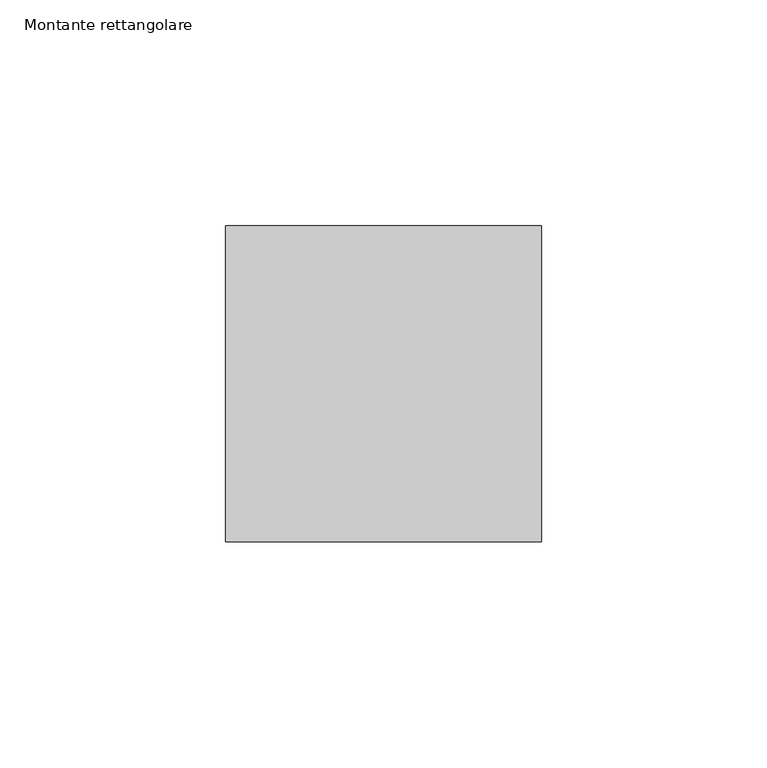
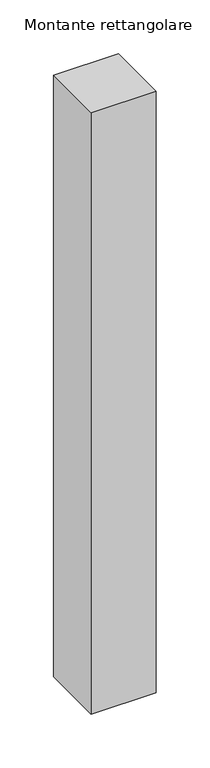
"""IFC4 building model written with IfcOpenShell, lengths in millimetres: member geometry, Montante rettangolare."""

from ifc_helpers import new_model, si_unit, frame, origin, place, context, project, spatial, polyline, outline, extrude, source, transform, mapped, element, save


def montante_rettangolare_78250a0c(model_context):
    return source(origin(), model_context, "Body", "SweptSolid", [
        extrude(outline(polyline([(35.0, 35.0), (35.0, -35.0), (-35.0, -35.0), (-35.0, 35.0), (35.0, 35.0)])), frame((0.0, 0.0, -684.1739392), z_axis=(0.0, 0.0, 1.0), x_axis=(1.0, 0.0, 0.0)), (0.0, 0.0, 1.0), 684.1739392),
    ])


if __name__ == "__main__":
    model = new_model("IFC4")
    model_context = context("Model", 3, world=origin())
    ifc_project = project(units=[si_unit("LENGTHUNIT", "METRE", prefix="MILLI")], contexts=[model_context])
    site = spatial("IfcSite", under=ifc_project)
    building = spatial("IfcBuilding", under=site)
    placement = place(None, origin())
    montante_rettangolare_shape = montante_rettangolare_78250a0c(model_context)
    element("IfcMember", 1, ObjectType="Montante rettangolare", at=placement, inside=building, context=model_context, shape_type="MappedRepresentation", body=[
        mapped(montante_rettangolare_shape, transform((0.0, 0.0, 0.0), x_axis=(1.0, 0.0, 0.0), y_axis=(0.0, 1.0, 0.0), z_axis=(0.0, 0.0, 1.0))),
    ])
    save(model, "model.ifc")
